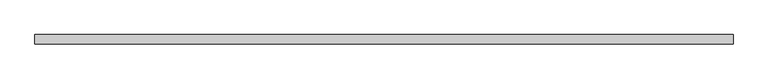
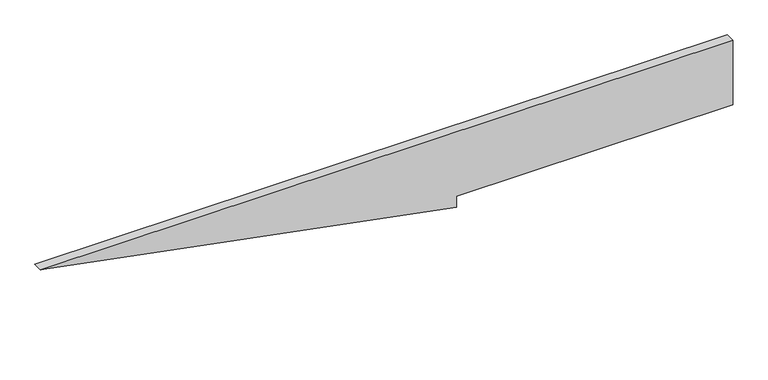
"""IFC4 building model written with IfcOpenShell, lengths in millimetres: plate geometry."""

from ifc_helpers import new_model, si_unit, frame, origin, place, context, project, spatial, polyline, outline, extrude, source, transform, mapped, element, save


def plate_cc1d09e9(model_context):
    return source(origin(), model_context, "Body", "SweptSolid", [
        extrude(outline(polyline([(0.0, 153.6246023), (25.0, 153.6246023), (25.0, 761.148125), (175.0, 761.148125), (175.0, -761.148125), (0.0, 153.6246023)])), frame((0.0, 20.0, 0.0), z_axis=(0.0, 1.0, 0.0), x_axis=(0.0, 0.0, 1.0)), (0.0, 0.0, 1.0), 20.0),
    ])


if __name__ == "__main__":
    model = new_model("IFC4")
    model_context = context("Model", 3, world=origin())
    ifc_project = project(units=[si_unit("LENGTHUNIT", "METRE", prefix="MILLI")], contexts=[model_context])
    site = spatial("IfcSite", under=ifc_project)
    building = spatial("IfcBuilding", under=site)
    placement = place(None, origin())
    plate_shape = plate_cc1d09e9(model_context)
    element("IfcPlate", 1, at=placement, inside=building, context=model_context, shape_type="MappedRepresentation", body=[
        mapped(plate_shape, transform((0.0, 0.0, 0.0), x_axis=(1.0, 0.0, 0.0), y_axis=(0.0, 1.0, 0.0), z_axis=(0.0, 0.0, 1.0))),
    ])
    save(model, "model.ifc")
